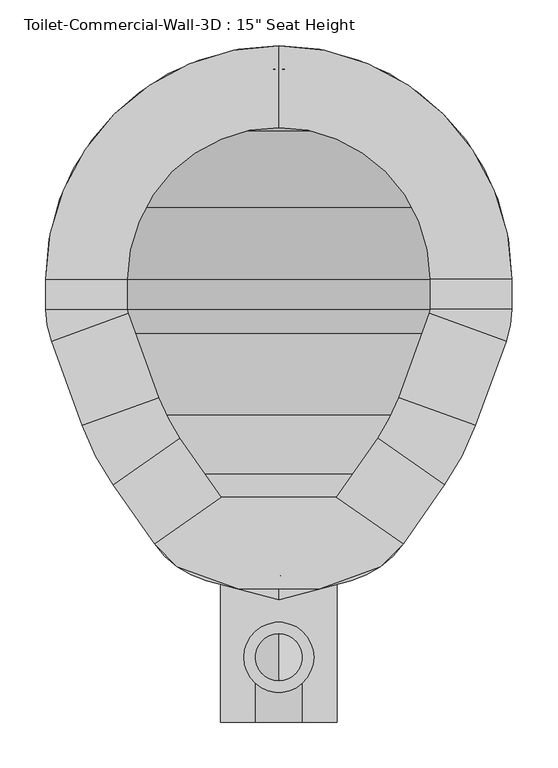
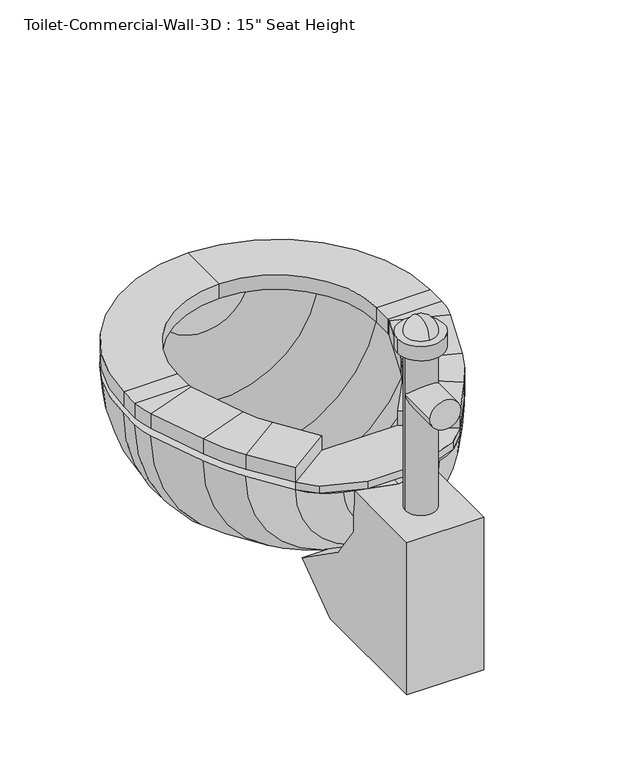
"""IFC4 building model written with IfcOpenShell, lengths in millimetres: flow terminal geometry."""

import ifcopenshell
import ifcopenshell.guid

model = None  # the IFC model being written
_history = None  # IfcOwnerHistory: only IFC2X3 demands one
_inside = {}  # id of a spatial element -> (the spatial element, [elements in it])
_under = {}  # id of a project, library or spatial element -> (it, [spatial elements below it])
_declared = {}  # id of a project -> (the project, [libraries it declares])
_typed = {}  # id of a type object -> (the type object, [elements of that type])
_made_of = {}  # id of a material, layer set ... -> (it, [elements and type objects made of it])


def new_model(schema):
    """Start an empty IFC model of exactly this schema.

    Asked for "IFC4X3", IfcOpenShell would pick the latest addendum, in which some entities
    have other attributes; the version numbers below select the first issue.
    IFC2X3 requires an IfcOwnerHistory on every rooted entity: one is made here for all.
    """
    global model, _history
    if schema == "IFC4X3":
        model = ifcopenshell.file(schema_version=(4, 3, 0, 0))
    else:
        model = ifcopenshell.file(schema=schema)
    _inside.clear()
    _under.clear()
    _declared.clear()
    _typed.clear()
    _made_of.clear()
    _history = None
    if model.schema == "IFC2X3":
        org = make("IfcOrganization", Name="unknown")
        user = make(
            "IfcPersonAndOrganization",
            ThePerson=make("IfcPerson", FamilyName="unknown"),
            TheOrganization=org,
        )
        app = make(
            "IfcApplication",
            ApplicationDeveloper=org,
            Version="unknown",
            ApplicationFullName="unknown",
            ApplicationIdentifier="unknown",
        )
        _history = make(
            "IfcOwnerHistory",
            OwningUser=user,
            OwningApplication=app,
            ChangeAction="ADDED",
            CreationDate=0,
        )
    return model


def make(cls, **values):
    """One entity of the class cls with the attributes given. An attribute that is None is left unset."""
    return model.create_entity(
        cls, **{name: value for name, value in values.items() if value is not None}
    )


def rooted(cls, **values):
    """An entity with a GlobalId (a new one), such as an element, a storey or a relation."""
    return make(cls, GlobalId=ifcopenshell.guid.new(), OwnerHistory=_history, **values)


def si_unit(unit_type, name, prefix=None):
    """IfcSIUnit, for example si_unit("LENGTHUNIT", "METRE", prefix="MILLI")."""
    return make("IfcSIUnit", UnitType=unit_type, Prefix=prefix, Name=name)


def assignment(units):
    """IfcUnitAssignment: the units of a project."""
    return None if units is None else make("IfcUnitAssignment", Units=units)


def point(xyz):
    """IfcCartesianPoint."""
    return None if xyz is None else make("IfcCartesianPoint", Coordinates=xyz)


def direction(xyz):
    """IfcDirection."""
    return None if xyz is None else make("IfcDirection", DirectionRatios=xyz)


def frame(location, z_axis=None, x_axis=None):
    """IfcAxis2Placement3D, a coordinate frame: its origin and axes. An axis left out is left unset."""
    return make(
        "IfcAxis2Placement3D",
        Location=point(location),
        Axis=direction(z_axis),
        RefDirection=direction(x_axis),
    )


def frame_2d(location, x_axis=None):
    """IfcAxis2Placement2D, a coordinate frame in the plane: its origin and x axis."""
    return make(
        "IfcAxis2Placement2D", Location=point(location), RefDirection=direction(x_axis)
    )


def origin():
    """The frame at (0, 0, 0) with its axes left unset."""
    return frame((0.0, 0.0, 0.0))


def place(relative_to, where):
    """IfcLocalPlacement: puts the frame where relative to a parent placement (None: the world)."""
    return make(
        "IfcLocalPlacement", PlacementRelTo=relative_to, RelativePlacement=where
    )


def context(
    kind, dimensions, precision=None, world=None, true_north=None, identifier=None
):
    """IfcGeometricRepresentationContext, for example the 3D "Model" context."""
    return make(
        "IfcGeometricRepresentationContext",
        ContextIdentifier=identifier,
        ContextType=kind,
        CoordinateSpaceDimension=dimensions,
        Precision=precision,
        WorldCoordinateSystem=world,
        TrueNorth=true_north,
    )


def project(units=None, contexts=None):
    """IfcProject with its units and contexts."""
    return rooted(
        "IfcProject",
        Name="project",
        RepresentationContexts=contexts,
        UnitsInContext=assignment(units),
    )


def spatial(cls, under=None, at=None, **own):
    """A site, building, storey or space (cls), placed at a placement, below another one or the project."""
    s = rooted(cls, ObjectPlacement=at, **own)
    if under is not None:
        _under.setdefault(under.id(), (under, []))[1].append(s)
    return s


def polyline(points):
    """IfcPolyline through the points."""
    return make("IfcPolyline", Points=[point(p) for p in points])


def circle_curve(where, radius):
    """IfcCircle in the frame where."""
    return make("IfcCircle", Position=where, Radius=radius)


def ellipse_curve(where, semi_axis1, semi_axis2):
    """IfcEllipse in the frame where."""
    return make(
        "IfcEllipse", Position=where, SemiAxis1=semi_axis1, SemiAxis2=semi_axis2
    )


def trimmed(basis, trim1, trim2, sense, master):
    """IfcTrimmedCurve: the piece of a basis curve between two trims."""
    return make(
        "IfcTrimmedCurve",
        BasisCurve=basis,
        Trim1=trim1,
        Trim2=trim2,
        SenseAgreement=sense,
        MasterRepresentation=master,
    )


def segment(curve, same_sense, transition):
    """IfcCompositeCurveSegment."""
    return make(
        "IfcCompositeCurveSegment",
        Transition=transition,
        SameSense=same_sense,
        ParentCurve=curve,
    )


def composite_curve(segments, self_intersect=None):
    """IfcCompositeCurve: segments joined end to end."""
    return make("IfcCompositeCurve", Segments=segments, SelfIntersect=self_intersect)


def outline(outer, holes=None, kind="AREA"):
    """IfcArbitraryClosedProfileDef: a profile drawn as a closed curve; with holes, ...WithVoids."""
    if holes is None:
        return make("IfcArbitraryClosedProfileDef", ProfileType=kind, OuterCurve=outer)
    return make(
        "IfcArbitraryProfileDefWithVoids",
        ProfileType=kind,
        OuterCurve=outer,
        InnerCurves=holes,
    )


def extrude(swept, where, along, depth):
    """IfcExtrudedAreaSolid: the profile swept, set in the frame where, extruded along a direction by depth."""
    return make(
        "IfcExtrudedAreaSolid",
        SweptArea=swept,
        Position=where,
        ExtrudedDirection=direction(along),
        Depth=depth,
    )


def shape(context_of_items, identifier, shape_type, items):
    """IfcShapeRepresentation: the items that make up one representation, for example the "Body"."""
    return make(
        "IfcShapeRepresentation",
        ContextOfItems=context_of_items,
        RepresentationIdentifier=identifier,
        RepresentationType=shape_type,
        Items=items,
    )


def source(mapping_origin, context_of_items, identifier, shape_type, items):
    """IfcRepresentationMap: a shape defined once, which mapped items show again and again."""
    return make(
        "IfcRepresentationMap",
        MappingOrigin=mapping_origin,
        MappedRepresentation=shape(context_of_items, identifier, shape_type, items),
    )


def transform(
    local_origin,
    x_axis=None,
    y_axis=None,
    z_axis=None,
    scale=None,
    scale2=None,
    scale3=None,
    uniform=True,
):
    """IfcCartesianTransformationOperator3D, or its non-uniform kind. x_axis, y_axis, z_axis: its Axis1, 2, 3."""
    if uniform:
        return make(
            "IfcCartesianTransformationOperator3D",
            Axis1=direction(x_axis),
            Axis2=direction(y_axis),
            LocalOrigin=point(local_origin),
            Scale=scale,
            Axis3=direction(z_axis),
        )
    return make(
        "IfcCartesianTransformationOperator3DnonUniform",
        Axis1=direction(x_axis),
        Axis2=direction(y_axis),
        LocalOrigin=point(local_origin),
        Scale=scale,
        Axis3=direction(z_axis),
        Scale2=scale2,
        Scale3=scale3,
    )


def mapped(mapping_source, mapping_target):
    """IfcMappedItem: shows the shape of a source again, moved by a transform."""
    return make(
        "IfcMappedItem", MappingSource=mapping_source, MappingTarget=mapping_target
    )


def made_of(thing, what):
    """Note that an element or type object is made of a material, layer set ...; save() writes the relation."""
    if what is not None:
        _made_of.setdefault(what.id(), (what, []))[1].append(thing)
    return thing


def element(
    cls,
    number,
    at=None,
    inside=None,
    cuts=None,
    type_object=None,
    material=None,
    context=None,
    identifier="Body",
    shape_type=None,
    held_by="IfcProductDefinitionShape",
    body=None,
    shapes=None,
    **own,
):
    """One element of the class cls, such as IfcWall. Its Tag is "e" and its number.

    at: its placement. inside: the storey or other place that contains it. cuts: it is an
    opening in that element (IfcRelVoidsElement). A single representation is given by context,
    identifier, shape_type and body (its items); several are given by shapes. held_by: the class
    of the entity that holds the representations. save() writes the other relations.
    """
    e = rooted(cls, Tag="e%d" % number, ObjectPlacement=at, **own)
    if body is not None:
        shapes = [shape(context, identifier, shape_type, body)]
    if shapes is not None:
        e.Representation = make(held_by, Representations=shapes)
    if inside is not None:
        _inside.setdefault(inside.id(), (inside, []))[1].append(e)
    if cuts is not None:
        rooted(
            "IfcRelVoidsElement", RelatingBuildingElement=cuts, RelatedOpeningElement=e
        )
    if type_object is not None:
        _typed.setdefault(type_object.id(), (type_object, []))[1].append(e)
    return made_of(e, material)


def aggregate(whole, parts):
    """IfcRelAggregates: a whole, such as a stair, and the parts it consists of."""
    return rooted("IfcRelAggregates", RelatingObject=whole, RelatedObjects=parts)


def save(model, path):
    """Write the relations noted so far, then the file.

    IfcRelAggregates (storeys below a building ...), IfcRelContainedInSpatialStructure (elements
    in a storey), IfcRelDefinesByType, IfcRelAssociatesMaterial and IfcRelDeclares: one each for
    every whole, place, type object, material and project.
    """
    for whole, parts in _under.values():
        aggregate(whole, parts)
    for where, things in _inside.values():
        rooted(
            "IfcRelContainedInSpatialStructure",
            RelatedElements=things,
            RelatingStructure=where,
        )
    for kind, things in _typed.values():
        rooted("IfcRelDefinesByType", RelatedObjects=things, RelatingType=kind)
    for what, things in _made_of.values():
        rooted("IfcRelAssociatesMaterial", RelatedObjects=things, RelatingMaterial=what)
    for by, libraries in _declared.values():
        rooted("IfcRelDeclares", RelatingContext=by, RelatedDefinitions=libraries)
    model.write(path)


def plane_surface(at):
    """IfcPlane: the flat surface through the origin of the frame at, square to its z axis."""
    return make("IfcPlane", Position=at)


def cylinder_surface(at, radius):
    """IfcCylindricalSurface: all points at the distance radius from the z axis of the frame at."""
    return make("IfcCylindricalSurface", Position=at, Radius=radius)


def revolved_surface(curve, axis_point, axis_direction):
    """IfcSurfaceOfRevolution: the curve turned about the line through axis_point along axis_direction."""
    return make(
        "IfcSurfaceOfRevolution",
        SweptCurve=make("IfcArbitraryOpenProfileDef", ProfileType="CURVE", Curve=curve),
        AxisPosition=make("IfcAxis1Placement", Location=point(axis_point), Axis=direction(axis_direction)),
    )


def advanced_brep(points, edges, surfaces, faces):
    """IfcAdvancedBrep: a solid bounded by faces that lie on surfaces and meet in shared edges.

    An edge is (start, end): straight between two places in points (the first is 0);
    or (start, end, curve); or (start, end, curve, False) where it runs against its curve.
    A face is (place in surfaces, loops), or (place, loops, False) where it looks against
    its surface's normal. A loop lists edges by number (the first is 1), with a minus sign
    where the edge is run from its end to its start. The first loop is the outer one.
    """
    corners = [point(p) for p in points]
    vertices = [make("IfcVertexPoint", VertexGeometry=c) for c in corners]
    made = []
    for start, end, *more in edges:
        made.append(
            make(
                "IfcEdgeCurve",
                EdgeStart=vertices[start],
                EdgeEnd=vertices[end],
                EdgeGeometry=more[0] if more else make("IfcPolyline", Points=[corners[start], corners[end]]),
                SameSense=more[1] if len(more) > 1 else True,
            )
        )
    hull = []
    for where, loops, *sense in faces:
        bounds = []
        for j, loop in enumerate(loops):
            ring = [make("IfcOrientedEdge", EdgeElement=made[abs(k) - 1], Orientation=k > 0) for k in loop]
            bounds.append(
                make(
                    "IfcFaceOuterBound" if j == 0 else "IfcFaceBound",
                    Bound=make("IfcEdgeLoop", EdgeList=ring),
                    Orientation=True,
                )
            )
        hull.append(make("IfcAdvancedFace", Bounds=bounds, FaceSurface=surfaces[where], SameSense=sense[0] if sense else True))
    return make("IfcAdvancedBrep", Outer=make("IfcClosedShell", CfsFaces=hull))


def flow_terminal_69433703(model_context):
    return source(origin(), model_context, "Body", "SolidModel", [
        extrude(outline(polyline([(467.7541169, 311.7097495), (540.5767337, 260.7188043), (515.6262519, 235.7683226), (449.563909, 211.7235961), (360.2423986, 211.7235961), (294.1800557, 235.7683226), (269.229574, 260.7188043), (342.0521907, 311.7097495), (467.7541169, 311.7097495)])), frame((0.0, 0.0, 342.9), z_axis=(0.0, 0.0, 1.0), x_axis=(1.0, 0.0, 0.0)), (0.0, 0.0, 1.0), 12.7),
        advanced_brep(
        [(467.7541169, 311.7097495, 355.6), (540.5767337, 260.7188043, 355.6), (540.5767337, 260.7188043, 381.0), (467.7541169, 311.7097495, 381.0), (512.8583992, 376.1253403, 355.6), (585.6810159, 325.1343951, 355.6), (585.6810159, 325.1343951, 381.0), (512.8583992, 376.1253403, 381.0), (619.360053, 389.8312234, 355.6), (535.821379, 420.2368141, 355.6), (619.360053, 389.8312234, 381.0), (535.821379, 420.2368141, 381.0), (569.2372501, 512.0461654, 355.6), (652.7759241, 481.6405747, 355.6), (652.7759241, 481.6405747, 381.0), (569.2372501, 512.0461654, 381.0), (658.9031538, 516.3898212, 355.6), (570.0031538, 516.3898212, 355.6), (658.9031538, 516.3898212, 381.0), (570.0031538, 516.3898212, 381.0), (570.0031538, 549.275, 355.6), (658.9031538, 549.275, 355.6), (658.9031538, 549.275, 381.0), (570.0031538, 549.275, 381.0), (404.9031538, 803.275, 355.6), (404.9031538, 714.375, 355.6), (404.9031538, 803.275, 381.0), (404.9031538, 714.375, 381.0), (150.9031538, 549.275, 355.6), (239.8031538, 549.275, 355.6), (150.9031538, 549.275, 381.0), (239.8031538, 549.275, 381.0), (239.8031538, 516.3898212, 355.6), (150.9031538, 516.3898212, 355.6), (150.9031538, 516.3898212, 381.0), (239.8031538, 516.3898212, 381.0), (157.0303835, 481.6405747, 355.6), (240.5690575, 512.0461654, 355.6), (157.0303835, 481.6405747, 381.0), (240.5690575, 512.0461654, 381.0), (273.9849286, 420.2368141, 355.6), (190.4462546, 389.8312234, 355.6), (190.4462546, 389.8312234, 381.0), (273.9849286, 420.2368141, 381.0), (224.1252917, 325.1343951, 355.6), (296.9479084, 376.1253403, 355.6), (224.1252917, 325.1343951, 381.0), (296.9479084, 376.1253403, 381.0), (342.0521907, 311.7097495, 355.6), (342.0521907, 311.7097495, 381.0), (269.229574, 260.7188043, 381.0), (269.229574, 260.7188043, 355.6)],
        [
            (0, 1),
            (1, 2),
            (2, 3),
            (3, 0),
            (0, 4),
            (4, 5),
            (5, 1),
            (5, 6),
            (6, 2),
            (6, 7),
            (7, 3),
            (7, 4),
            (8, 5, circle_curve(frame((356.8099347, 485.3916514, 355.6), z_axis=(0.0, 0.0, -1.0), x_axis=(0.81915204428899, -0.5735764363510486, 0.0)), 279.4)),
            (4, 9, circle_curve(frame((356.8099347, 485.3916514, 355.6), z_axis=(0.0, 0.0, 1.0), x_axis=(0.81915204428899, -0.5735764363510486, 0.0)), 190.5)),
            (9, 8),
            (10, 6, circle_curve(frame((356.8099347, 485.3916514, 381.0), z_axis=(0.0, 0.0, -1.0), x_axis=(0.81915204428899, -0.5735764363510486, 0.0)), 279.4)),
            (8, 10),
            (11, 7, circle_curve(frame((356.8099347, 485.3916514, 381.0), z_axis=(0.0, 0.0, -1.0), x_axis=(0.81915204428899, -0.5735764363510486, 0.0)), 190.5)),
            (10, 11),
            (11, 9),
            (9, 12),
            (12, 13),
            (13, 8),
            (13, 14),
            (14, 10),
            (14, 15),
            (15, 11),
            (15, 12),
            (16, 13, circle_curve(frame((557.3031538, 516.3898212, 355.6), z_axis=(0.0, 0.0, -1.0), x_axis=(0.9396926207859057, -0.3420201433256761, 0.0)), 101.6)),
            (12, 17, circle_curve(frame((557.3031538, 516.3898212, 355.6), z_axis=(0.0, 0.0, 1.0), x_axis=(0.9396926207859057, -0.3420201433256761, 0.0)), 12.7)),
            (17, 16),
            (18, 14, circle_curve(frame((557.3031538, 516.3898212, 381.0), z_axis=(0.0, 0.0, -1.0), x_axis=(0.9396926207859057, -0.3420201433256761, 0.0)), 101.6)),
            (16, 18),
            (19, 15, circle_curve(frame((557.3031538, 516.3898212, 381.0), z_axis=(0.0, 0.0, -1.0), x_axis=(0.9396926207859057, -0.3420201433256761, 0.0)), 12.7)),
            (18, 19),
            (19, 17),
            (17, 20),
            (20, 21),
            (21, 16),
            (21, 22),
            (22, 18),
            (22, 23),
            (23, 19),
            (23, 20),
            (24, 21, circle_curve(frame((404.9031538, 549.275, 355.6), z_axis=(0.0, 0.0, -1.0), x_axis=(1.0, 0.0, 0.0)), 254.0)),
            (20, 25, circle_curve(frame((404.9031538, 549.275, 355.6), z_axis=(0.0, 0.0, 1.0), x_axis=(1.0, 0.0, 0.0)), 165.1)),
            (25, 24),
            (26, 22, circle_curve(frame((404.9031538, 549.275, 381.0), z_axis=(0.0, 0.0, -1.0), x_axis=(1.0, 0.0, 0.0)), 254.0)),
            (24, 26),
            (27, 23, circle_curve(frame((404.9031538, 549.275, 381.0), z_axis=(0.0, 0.0, -1.0), x_axis=(1.0, 0.0, 0.0)), 165.1)),
            (26, 27),
            (27, 25),
            (28, 24, circle_curve(frame((404.9031538, 549.275, 355.6), z_axis=(0.0, 0.0, -1.0), x_axis=(0.0, 1.0, 0.0)), 254.0)),
            (25, 29, circle_curve(frame((404.9031538, 549.275, 355.6), z_axis=(0.0, 0.0, 1.0), x_axis=(0.0, 1.0, 0.0)), 165.1)),
            (29, 28),
            (30, 26, circle_curve(frame((404.9031538, 549.275, 381.0), z_axis=(0.0, 0.0, -1.0), x_axis=(0.0, 1.0, 0.0)), 254.0)),
            (28, 30),
            (31, 27, circle_curve(frame((404.9031538, 549.275, 381.0), z_axis=(0.0, 0.0, -1.0), x_axis=(0.0, 1.0, 0.0)), 165.1)),
            (30, 31),
            (31, 29),
            (29, 32),
            (32, 33),
            (33, 28),
            (33, 34),
            (34, 30),
            (34, 35),
            (35, 31),
            (35, 32),
            (36, 33, circle_curve(frame((252.5031538, 516.3898212, 355.6), z_axis=(0.0, 0.0, -1.0), x_axis=(-1.0, 0.0, 0.0)), 101.6)),
            (32, 37, circle_curve(frame((252.5031538, 516.3898212, 355.6), z_axis=(0.0, 0.0, 1.0), x_axis=(-1.0, 0.0, 0.0)), 12.7)),
            (37, 36),
            (38, 34, circle_curve(frame((252.5031538, 516.3898212, 381.0), z_axis=(0.0, 0.0, -1.0), x_axis=(-1.0, 0.0, 0.0)), 101.6)),
            (36, 38),
            (39, 35, circle_curve(frame((252.5031538, 516.3898212, 381.0), z_axis=(0.0, 0.0, -1.0), x_axis=(-1.0, 0.0, 0.0)), 12.7)),
            (38, 39),
            (39, 37),
            (37, 40),
            (40, 41),
            (41, 36),
            (41, 42),
            (42, 38),
            (42, 43),
            (43, 39),
            (43, 40),
            (44, 41, circle_curve(frame((452.9963729, 485.3916514, 355.6), z_axis=(0.0, 0.0, -1.0), x_axis=(-0.939692620785909, -0.3420201433256672, 0.0)), 279.4)),
            (40, 45, circle_curve(frame((452.9963729, 485.3916514, 355.6), z_axis=(0.0, 0.0, 1.0), x_axis=(-0.939692620785909, -0.3420201433256672, 0.0)), 190.5)),
            (45, 44),
            (46, 42, circle_curve(frame((452.9963729, 485.3916514, 381.0), z_axis=(0.0, 0.0, -1.0), x_axis=(-0.939692620785909, -0.3420201433256672, 0.0)), 279.4)),
            (44, 46),
            (47, 43, circle_curve(frame((452.9963729, 485.3916514, 381.0), z_axis=(0.0, 0.0, -1.0), x_axis=(-0.939692620785909, -0.3420201433256672, 0.0)), 190.5)),
            (46, 47),
            (47, 45),
            (48, 49),
            (49, 50),
            (50, 51),
            (51, 48),
            (45, 48),
            (51, 44),
            (50, 46),
            (49, 47),
        ],
        [
            plane_surface(frame((540.5767337, 260.7188043, 439.6203184), z_axis=(-0.5735764363510378, -0.8191520442889977, 0.0), x_axis=(0.8191520442889977, -0.5735764363510378, 0.0))),
            plane_surface(frame((467.7541169, 311.7097495, 355.6), z_axis=(0.0, 0.0, -1.0000000000000002), x_axis=(0.5735764363510382, 0.8191520442889975, 0.0))),
            plane_surface(frame((540.5767337, 260.7188043, 355.6), z_axis=(0.8191520442889976, -0.5735764363510379, 0.0), x_axis=(0.5735764363510379, 0.8191520442889976, 0.0))),
            plane_surface(frame((540.5767337, 260.7188043, 381.0), z_axis=(0.0, 0.0, 1.0), x_axis=(0.5735764363510377, 0.8191520442889977, 0.0))),
            plane_surface(frame((467.7541169, 311.7097495, 381.0), z_axis=(-0.819152044288997, 0.5735764363510387, 0.0), x_axis=(0.5735764363510387, 0.819152044288997, 0.0))),
            plane_surface(frame((356.8099347, 485.3916514, 355.6), z_axis=(0.0, 0.0, -1.0), x_axis=(0.81915204428899, -0.5735764363510486, 0.0))),
            cylinder_surface(frame((356.8099347, 485.3916514, 342.9), z_axis=(0.0, 0.0, 1.0), x_axis=(0.81915204428899, -0.5735764363510486, 0.0)), 279.4),
            plane_surface(frame((356.8099347, 485.3916514, 381.0), z_axis=(0.0, 0.0, 1.0), x_axis=(0.81915204428899, -0.5735764363510486, 0.0))),
            revolved_surface(polyline([(512.8583991370526, 376.12534027512527, 381.0), (512.8583991370526, 376.12534027512527, 355.6)]), (356.8099347, 485.3916514, 342.9), (0.0, 0.0, 1.0)),
            plane_surface(frame((535.821379, 420.2368141, 355.6), z_axis=(0.0, 0.0, -1.0), x_axis=(0.3420201433256634, 0.9396926207859103, 0.0))),
            plane_surface(frame((619.360053, 389.8312234, 355.6), z_axis=(0.9396926207859099, -0.34202014332566494, 0.0), x_axis=(0.34202014332566494, 0.9396926207859099, 0.0))),
            plane_surface(frame((619.360053, 389.8312234, 381.0), z_axis=(0.0, 0.0, 1.0), x_axis=(0.3420201433256647, 0.9396926207859099, 0.0))),
            plane_surface(frame((535.821379, 420.2368141, 381.0), z_axis=(-0.9396926207859101, 0.342020143325664, 0.0), x_axis=(0.342020143325664, 0.9396926207859101, 0.0))),
            plane_surface(frame((557.3031538, 516.3898212, 355.6), z_axis=(0.0, 0.0, -1.0000000000000002), x_axis=(0.9396926207859058, -0.34202014332567615, 0.0))),
            cylinder_surface(frame((557.3031538, 516.3898212, 342.9), z_axis=(0.0, 0.0, 1.0), x_axis=(0.9396926207859057, -0.3420201433256761, 0.0)), 101.6),
            plane_surface(frame((557.3031538, 516.3898212, 381.0), z_axis=(0.0, 0.0, 1.0000000000000002), x_axis=(0.9396926207859058, -0.34202014332567615, 0.0))),
            revolved_surface(polyline([(569.237250083981, 512.0461653797639, 381.0), (569.237250083981, 512.0461653797639, 355.6)]), (557.3031538, 516.3898212, 342.9), (0.0, 0.0, 1.0)),
            plane_surface(frame((570.0031538, 516.3898212, 355.6), z_axis=(0.0, 0.0, -1.0), x_axis=(0.0, 1.0, 0.0))),
            plane_surface(frame((658.9031538, 516.3898212, 355.6), z_axis=(1.0, 0.0, 0.0), x_axis=(0.0, 1.0, 0.0))),
            plane_surface(frame((658.9031538, 516.3898212, 381.0), z_axis=(0.0, 0.0, 1.0), x_axis=(0.0, 1.0, 0.0))),
            plane_surface(frame((570.0031538, 516.3898212, 381.0), z_axis=(-1.0, 0.0, 0.0), x_axis=(0.0, 1.0, 0.0))),
            plane_surface(frame((404.9031538, 549.275, 355.6), z_axis=(0.0, 0.0, -1.0), x_axis=(1.0, 0.0, 0.0))),
            cylinder_surface(frame((404.9031538, 549.275, 342.9), z_axis=(0.0, 0.0, 1.0), x_axis=(1.0, 0.0, 0.0)), 254.0),
            plane_surface(frame((404.9031538, 549.275, 381.0), z_axis=(0.0, 0.0, 1.0), x_axis=(1.0, 0.0, 0.0))),
            revolved_surface(polyline([(570.0031538, 549.275, 381.0), (570.0031538, 549.275, 355.6)]), (404.9031538, 549.275, 342.9), (0.0, 0.0, 1.0)),
            plane_surface(frame((404.9031538, 549.275, 355.6), z_axis=(0.0, 0.0, -1.0), x_axis=(0.0, 1.0, 0.0))),
            cylinder_surface(frame((404.9031538, 549.275, 342.9), z_axis=(0.0, 0.0, 1.0), x_axis=(0.0, 1.0, 0.0)), 254.0),
            plane_surface(frame((404.9031538, 549.275, 381.0), z_axis=(0.0, 0.0, 1.0), x_axis=(0.0, 1.0, 0.0))),
            revolved_surface(polyline([(404.9031538, 714.375, 381.0), (404.9031538, 714.375, 355.6)]), (404.9031538, 549.275, 342.9), (0.0, 0.0, 1.0)),
            plane_surface(frame((239.8031538, 549.275, 355.6), z_axis=(0.0, 0.0, -1.0), x_axis=(0.0, -1.0, 0.0))),
            plane_surface(frame((150.9031538, 549.275, 355.6), z_axis=(-1.0, 0.0, 0.0), x_axis=(0.0, -1.0, 0.0))),
            plane_surface(frame((150.9031538, 549.275, 381.0), z_axis=(0.0, 0.0, 1.0), x_axis=(0.0, -1.0, 0.0))),
            plane_surface(frame((239.8031538, 549.275, 381.0), z_axis=(1.0, 0.0, 0.0), x_axis=(0.0, -1.0, 0.0))),
            plane_surface(frame((252.5031538, 516.3898212, 355.6), z_axis=(0.0, 0.0, -1.0), x_axis=(-1.0, 0.0, 0.0))),
            cylinder_surface(frame((252.5031538, 516.3898212, 342.9), z_axis=(0.0, 0.0, 1.0), x_axis=(-1.0, 0.0, 0.0)), 101.6),
            plane_surface(frame((252.5031538, 516.3898212, 381.0), z_axis=(0.0, 0.0, 1.0), x_axis=(-1.0, 0.0, 0.0))),
            revolved_surface(polyline([(239.80315380000002, 516.3898212, 381.0), (239.80315380000002, 516.3898212, 355.6)]), (252.5031538, 516.3898212, 342.9), (0.0, 0.0, 1.0)),
            plane_surface(frame((240.5690575, 512.0461654, 355.6), z_axis=(0.0, 0.0, -1.0000000000000002), x_axis=(0.34202014332565606, -0.9396926207859131, 0.0))),
            plane_surface(frame((157.0303835, 481.6405747, 355.6), z_axis=(-0.9396926207859131, -0.34202014332565595, 0.0), x_axis=(0.34202014332565595, -0.9396926207859131, 0.0))),
            plane_surface(frame((157.0303835, 481.6405747, 381.0), z_axis=(0.0, 0.0, 1.0000000000000002), x_axis=(0.3420201433256557, -0.9396926207859132, 0.0))),
            plane_surface(frame((240.5690575, 512.0461654, 381.0), z_axis=(0.9396926207859131, 0.34202014332565606, 0.0), x_axis=(0.34202014332565606, -0.9396926207859131, 0.0))),
            plane_surface(frame((452.9963729, 485.3916514, 355.6), z_axis=(0.0, 0.0, -1.0), x_axis=(-0.939692620785909, -0.3420201433256672, 0.0))),
            cylinder_surface(frame((452.9963729, 485.3916514, 342.9), z_axis=(0.0, 0.0, 1.0), x_axis=(-0.939692620785909, -0.3420201433256672, 0.0)), 279.4),
            plane_surface(frame((452.9963729, 485.3916514, 381.0), z_axis=(0.0, 0.0, 1.0), x_axis=(-0.939692620785909, -0.3420201433256672, 0.0))),
            revolved_surface(polyline([(273.98492864028435, 420.2368140964604, 381.0), (273.98492864028435, 420.2368140964604, 355.6)]), (452.9963729, 485.3916514, 342.9), (0.0, 0.0, 1.0)),
            plane_surface(frame((269.229574, 260.7188043, 246.1796816), z_axis=(0.5735764363510499, -0.8191520442889892, 0.0), x_axis=(0.8191520442889892, 0.5735764363510499, 0.0))),
            plane_surface(frame((296.9479084, 376.1253403, 355.6), z_axis=(0.0, 0.0, -1.0), x_axis=(0.5735764363510502, -0.8191520442889889, 0.0))),
            plane_surface(frame((224.1252917, 325.1343951, 355.6), z_axis=(-0.8191520442889892, -0.5735764363510499, 0.0), x_axis=(0.5735764363510499, -0.8191520442889892, 0.0))),
            plane_surface(frame((224.1252917, 325.1343951, 381.0), z_axis=(0.0, 0.0, 1.0), x_axis=(0.5735764363510504, -0.8191520442889888, 0.0))),
            plane_surface(frame((296.9479084, 376.1253403, 381.0), z_axis=(0.8191520442889889, 0.5735764363510502, 0.0), x_axis=(0.5735764363510502, -0.8191520442889889, 0.0))),
        ],
        [
            (0, [[1, 2, 3, 4]]),
            (1, [[-1, 5, 6, 7]]),
            (2, [[-2, -7, 8, 9]]),
            (3, [[-3, -9, 10, 11]]),
            (4, [[-4, -11, 12, -5]]),
            (5, [[13, -6, 14, 15]]),
            (6, [[16, -8, -13, 17]]),
            (7, [[18, -10, -16, 19]]),
            (8, [[-14, -12, -18, 20]]),
            (9, [[-15, 21, 22, 23]]),
            (10, [[-17, -23, 24, 25]]),
            (11, [[-19, -25, 26, 27]]),
            (12, [[-20, -27, 28, -21]]),
            (13, [[29, -22, 30, 31]]),
            (14, [[32, -24, -29, 33]]),
            (15, [[34, -26, -32, 35]]),
            (16, [[-30, -28, -34, 36]]),
            (17, [[-31, 37, 38, 39]]),
            (18, [[-33, -39, 40, 41]]),
            (19, [[-35, -41, 42, 43]]),
            (20, [[-36, -43, 44, -37]]),
            (21, [[45, -38, 46, 47]]),
            (22, [[48, -40, -45, 49]]),
            (23, [[50, -42, -48, 51]]),
            (24, [[-46, -44, -50, 52]]),
            (25, [[53, -47, 54, 55]]),
            (26, [[56, -49, -53, 57]]),
            (27, [[58, -51, -56, 59]]),
            (28, [[-54, -52, -58, 60]]),
            (29, [[-55, 61, 62, 63]]),
            (30, [[-57, -63, 64, 65]]),
            (31, [[-59, -65, 66, 67]]),
            (32, [[-60, -67, 68, -61]]),
            (33, [[69, -62, 70, 71]]),
            (34, [[72, -64, -69, 73]]),
            (35, [[74, -66, -72, 75]]),
            (36, [[-70, -68, -74, 76]]),
            (37, [[-71, 77, 78, 79]]),
            (38, [[-73, -79, 80, 81]]),
            (39, [[-75, -81, 82, 83]]),
            (40, [[-76, -83, 84, -77]]),
            (41, [[85, -78, 86, 87]]),
            (42, [[88, -80, -85, 89]]),
            (43, [[90, -82, -88, 91]]),
            (44, [[-86, -84, -90, 92]]),
            (45, [[93, 94, 95, 96]]),
            (46, [[-87, 97, -96, 98]]),
            (47, [[-89, -98, -95, 99]]),
            (48, [[-91, -99, -94, 100]]),
            (49, [[-92, -100, -93, -97]]),
        ],
    ),
        advanced_brep(
        [(491.7762702, 787.9569257, 342.9), (404.9031538, 803.275, 342.9), (404.9031538, 777.875, 342.9), (483.0889586, 764.0887331, 342.9), (566.547764, 710.9196102, 342.9), (619.7168869, 627.4608048, 342.9), (633.5031538, 549.275, 342.9), (633.5031538, 516.3898212, 342.9), (628.9077315, 490.3278863, 342.9), (596.6355667, 401.6608422, 342.9), (562.9565296, 336.9640139, 342.9), (525.0728964, 282.8605786, 342.9), (468.1430637, 242.9978806, 342.9), (404.9031538, 226.0527978, 342.9), (404.9031538, 199.7567829, 342.9), (483.6469009, 220.8561063, 342.9), (540.5767337, 260.7188043, 342.9), (585.6810159, 325.1343951, 342.9), (619.360053, 389.8312234, 342.9), (652.7759241, 481.6405747, 342.9), (658.9031538, 516.3898212, 342.9), (658.9031538, 549.275, 342.9), (643.5850795, 636.1481164, 342.9), (584.5082762, 728.8801224, 342.9), (318.0300374, 787.9569257, 342.9), (225.2980314, 728.8801224, 342.9), (166.2212281, 636.1481164, 342.9), (150.9031538, 549.275, 342.9), (150.9031538, 516.3898212, 342.9), (157.0303835, 481.6405747, 342.9), (190.4462546, 389.8312234, 342.9), (224.1252917, 325.1343951, 342.9), (269.229574, 260.7188043, 342.9), (326.1594067, 220.8561063, 342.9), (341.663244, 242.9978806, 342.9), (284.7334112, 282.8605786, 342.9), (246.849778, 336.9640139, 342.9), (213.1707409, 401.6608422, 342.9), (180.8985761, 490.3278863, 342.9), (176.3031538, 516.3898212, 342.9), (176.3031538, 549.275, 342.9), (190.0894207, 627.4608048, 342.9), (243.2585436, 710.9196102, 342.9), (326.7173491, 764.0887331, 342.9)],
        [
            (0, 1, circle_curve(frame((404.9031538, 549.275, 342.9), z_axis=(0.0, 0.0, 1.0), x_axis=(1.0, 0.0, 0.0)), 254.0)),
            (1, 2),
            (2, 3, circle_curve(frame((404.9031538, 549.275, 342.9), z_axis=(0.0, 0.0, -1.0), x_axis=(1.0, 0.0, 0.0)), 228.6)),
            (3, 4, circle_curve(frame((404.9031538, 549.275, 342.9), z_axis=(0.0, 0.0, -1.0), x_axis=(1.0, 0.0, 0.0)), 228.6)),
            (4, 5, circle_curve(frame((404.9031538, 549.275, 342.9), z_axis=(0.0, 0.0, -1.0), x_axis=(1.0, 0.0, 0.0)), 228.6)),
            (5, 6, circle_curve(frame((404.9031538, 549.275, 342.9), z_axis=(0.0, 0.0, -1.0), x_axis=(1.0, 0.0, 0.0)), 228.6)),
            (6, 7),
            (7, 8, circle_curve(frame((557.3031538, 516.3898212, 342.9), z_axis=(0.0, 0.0, -1.0), x_axis=(1.0, 0.0, 0.0)), 76.2)),
            (8, 9),
            (9, 10, circle_curve(frame((334.0854485, 497.2212703, 342.9), z_axis=(0.0, 0.0, -1.0), x_axis=(1.0, 0.0, 0.0)), 279.4)),
            (10, 11),
            (11, 12, circle_curve(frame((441.8470487, 341.1359446, 342.9), z_axis=(0.0, 0.0, -1.0), x_axis=(1.0, 0.0, 0.0)), 101.6)),
            (12, 13),
            (13, 14),
            (14, 15),
            (15, 16, circle_curve(frame((457.350886, 318.9941703, 342.9), z_axis=(0.0, 0.0, 1.0), x_axis=(1.0, 0.0, 0.0)), 101.6)),
            (16, 17),
            (17, 18, circle_curve(frame((356.8099347, 485.3916514, 342.9), z_axis=(0.0, 0.0, 1.0), x_axis=(1.0, 0.0, 0.0)), 279.4)),
            (18, 19),
            (19, 20, circle_curve(frame((557.3031538, 516.3898212, 342.9), z_axis=(0.0, 0.0, 1.0), x_axis=(1.0, 0.0, 0.0)), 101.6)),
            (20, 21),
            (21, 22, circle_curve(frame((404.9031538, 549.275, 342.9), z_axis=(0.0, 0.0, 1.0), x_axis=(1.0, 0.0, 0.0)), 254.0)),
            (22, 23, circle_curve(frame((404.9031538, 549.275, 342.9), z_axis=(0.0, 0.0, 1.0), x_axis=(1.0, 0.0, 0.0)), 254.0)),
            (23, 0, circle_curve(frame((404.9031538, 549.275, 342.9), z_axis=(0.0, 0.0, 1.0), x_axis=(1.0, 0.0, 0.0)), 254.0)),
            (24, 25, circle_curve(frame((404.9031538, 549.275, 342.9), z_axis=(0.0, 0.0, 1.0), x_axis=(-1.0, 0.0, 0.0)), 254.0)),
            (25, 26, circle_curve(frame((404.9031538, 549.275, 342.9), z_axis=(0.0, 0.0, 1.0), x_axis=(-1.0, 0.0, 0.0)), 254.0)),
            (26, 27, circle_curve(frame((404.9031538, 549.275, 342.9), z_axis=(0.0, 0.0, 1.0), x_axis=(-1.0, 0.0, 0.0)), 254.0)),
            (27, 28),
            (28, 29, circle_curve(frame((252.5031538, 516.3898212, 342.9), z_axis=(0.0, 0.0, 1.0), x_axis=(-1.0, 0.0, 0.0)), 101.6)),
            (29, 30),
            (30, 31, circle_curve(frame((452.9963729, 485.3916514, 342.9), z_axis=(0.0, 0.0, 1.0), x_axis=(-1.0, 0.0, 0.0)), 279.4)),
            (31, 32),
            (32, 33, circle_curve(frame((352.4554217, 318.9941703, 342.9), z_axis=(0.0, 0.0, 1.0), x_axis=(-1.0, 0.0, 0.0)), 101.6)),
            (33, 14),
            (13, 34),
            (34, 35, circle_curve(frame((367.9592589, 341.1359446, 342.9), z_axis=(0.0, 0.0, -1.0), x_axis=(-1.0, 0.0, 0.0)), 101.6)),
            (35, 36),
            (36, 37, circle_curve(frame((475.7208592, 497.2212703, 342.9), z_axis=(0.0, 0.0, -1.0), x_axis=(-1.0, 0.0, 0.0)), 279.4)),
            (37, 38),
            (38, 39, circle_curve(frame((252.5031538, 516.3898212, 342.9), z_axis=(0.0, 0.0, -1.0), x_axis=(-1.0, 0.0, 0.0)), 76.2)),
            (39, 40),
            (40, 41, circle_curve(frame((404.9031538, 549.275, 342.9), z_axis=(0.0, 0.0, -1.0), x_axis=(-1.0, 0.0, 0.0)), 228.6)),
            (41, 42, circle_curve(frame((404.9031538, 549.275, 342.9), z_axis=(0.0, 0.0, -1.0), x_axis=(-1.0, 0.0, 0.0)), 228.6)),
            (42, 43, circle_curve(frame((404.9031538, 549.275, 342.9), z_axis=(0.0, 0.0, -1.0), x_axis=(-1.0, 0.0, 0.0)), 228.6)),
            (43, 2, circle_curve(frame((404.9031538, 549.275, 342.9), z_axis=(0.0, 0.0, -1.0), x_axis=(-1.0, 0.0, 0.0)), 228.6)),
            (1, 24, circle_curve(frame((404.9031538, 549.275, 342.9), z_axis=(0.0, 0.0, 1.0), x_axis=(-1.0, 0.0, 0.0)), 254.0)),
            (0, 24, circle_curve(frame((404.9031538, 787.9569257, 342.9), z_axis=(0.0, 1.0, 0.0), x_axis=(1.0, 0.0, 0.0)), 86.8731164)),
            (43, 3, circle_curve(frame((404.9031538, 764.0887331, 342.9), z_axis=(0.0, -1.0, 0.0), x_axis=(1.0, 0.0, 0.0)), 78.1858048)),
            (42, 4, circle_curve(frame((404.9031538, 710.9196102, 342.9), z_axis=(0.0, -1.0, 0.0), x_axis=(1.0, 0.0, 0.0)), 161.6446102)),
            (41, 5, circle_curve(frame((404.9031538, 627.4608048, 342.9), z_axis=(0.0, -1.0, 0.0), x_axis=(1.0, 0.0, 0.0)), 214.8137331)),
            (40, 6, circle_curve(frame((404.9031538, 549.275, 342.9), z_axis=(0.0, -1.0, 0.0), x_axis=(1.0, 0.0, 0.0)), 228.6)),
            (39, 7, circle_curve(frame((404.9031538, 516.3898212, 342.9), z_axis=(0.0, -1.0, 0.0), x_axis=(1.0, 0.0, 0.0)), 228.6)),
            (38, 8, circle_curve(frame((404.9031538, 490.3278863, 342.9), z_axis=(0.0, -1.0, 0.0), x_axis=(1.0, 0.0, 0.0)), 224.0045777)),
            (37, 9, circle_curve(frame((404.9031538, 401.6608422, 342.9), z_axis=(0.0, -1.0, 0.0), x_axis=(1.0, 0.0, 0.0)), 191.7324129)),
            (36, 10, circle_curve(frame((404.9031538, 336.9640139, 342.9), z_axis=(0.0, -1.0, 0.0), x_axis=(1.0, 0.0, 0.0)), 158.0533758)),
            (35, 11, circle_curve(frame((404.9031538, 282.8605786, 342.9), z_axis=(0.0, -1.0, 0.0), x_axis=(1.0, 0.0, 0.0)), 120.1697426)),
            (34, 12, circle_curve(frame((404.9031538, 242.9978806, 342.9), z_axis=(0.0, -1.0, 0.0), x_axis=(1.0, 0.0, 0.0)), 63.2399099)),
            (33, 15, circle_curve(frame((404.9031538, 220.8561063, 342.9), z_axis=(0.0, -1.0, 0.0), x_axis=(1.0, 0.0, 0.0)), 78.7437471)),
            (32, 16, circle_curve(frame((404.9031538, 260.7188043, 342.9), z_axis=(0.0, -1.0, 0.0), x_axis=(1.0, 0.0, 0.0)), 135.6735798)),
            (31, 17, circle_curve(frame((404.9031538, 325.1343951, 342.9), z_axis=(0.0, -1.0, 0.0), x_axis=(1.0, 0.0, 0.0)), 180.7778621)),
            (30, 18, circle_curve(frame((404.9031538, 389.8312234, 342.9), z_axis=(0.0, -1.0, 0.0), x_axis=(1.0, 0.0, 0.0)), 214.4568992)),
            (29, 19, circle_curve(frame((404.9031538, 481.6405747, 342.9), z_axis=(0.0, -1.0, 0.0), x_axis=(1.0, 0.0, 0.0)), 247.8727703)),
            (28, 20, circle_curve(frame((404.9031538, 516.3898212, 342.9), z_axis=(0.0, -1.0, 0.0), x_axis=(1.0, 0.0, 0.0)), 254.0)),
            (27, 21, circle_curve(frame((404.9031538, 549.275, 342.9), z_axis=(0.0, -1.0, 0.0), x_axis=(1.0, 0.0, 0.0)), 254.0)),
            (26, 22, circle_curve(frame((404.9031538, 636.1481164, 342.9), z_axis=(0.0, -1.0, 0.0), x_axis=(1.0, 0.0, 0.0)), 238.6819257)),
            (25, 23, circle_curve(frame((404.9031538, 728.8801224, 342.9), z_axis=(0.0, -1.0, 0.0), x_axis=(1.0, 0.0, 0.0)), 179.6051224)),
        ],
        [
            plane_surface(frame((404.9031538, 908.4852448, 342.9), z_axis=(0.0, 0.0, 1.0), x_axis=(1.0, 0.0, 0.0))),
            plane_surface(frame((404.9031538, 908.4852448, 342.9), z_axis=(0.0, 0.0, 1.0), x_axis=(-1.0, 0.0, 0.0))),
            revolved_surface(trimmed(ellipse_curve(frame((404.9031538, 549.275, 342.9), z_axis=(0.0, 0.0, 1.0), x_axis=(1.0, 0.0, 0.0)), 254.0, 254.0), [point((491.7762702, 787.9569257, 342.9))], [point((404.9031538, 803.275, 342.9))], True, "CARTESIAN"), (404.9031538, 908.4852448, 342.9), (0.0, 1.0, 0.0)),
            revolved_surface(trimmed(ellipse_curve(frame((404.9031538, 549.275, 342.9), z_axis=(0.0, 0.0, -1.0), x_axis=(1.0, 0.0, 0.0)), 228.6, 228.6), [point((404.9031538, 777.875, 342.9))], [point((483.0889586, 764.0887331, 342.9))], True, "CARTESIAN"), (404.9031538, 908.4852448, 342.9), (0.0, 1.0, 0.0)),
            revolved_surface(trimmed(ellipse_curve(frame((404.9031538, 549.275, 342.9), z_axis=(0.0, 0.0, -1.0), x_axis=(1.0, 0.0, 0.0)), 228.6, 228.6), [point((483.0889586, 764.0887331, 342.9))], [point((566.547764, 710.9196102, 342.9))], True, "CARTESIAN"), (404.9031538, 908.4852448, 342.9), (0.0, 1.0, 0.0)),
            revolved_surface(trimmed(ellipse_curve(frame((404.9031538, 549.275, 342.9), z_axis=(0.0, 0.0, -1.0), x_axis=(1.0, 0.0, 0.0)), 228.6, 228.6), [point((566.547764, 710.9196102, 342.9))], [point((619.7168869, 627.4608048, 342.9))], True, "CARTESIAN"), (404.9031538, 908.4852448, 342.9), (0.0, 1.0, 0.0)),
            revolved_surface(trimmed(ellipse_curve(frame((404.9031538, 549.275, 342.9), z_axis=(0.0, 0.0, -1.0), x_axis=(1.0, 0.0, 0.0)), 228.6, 228.6), [point((619.7168869, 627.4608048, 342.9))], [point((633.5031538, 549.275, 342.9))], True, "CARTESIAN"), (404.9031538, 908.4852448, 342.9), (0.0, 1.0, 0.0)),
            revolved_surface(polyline([(633.5031538, 549.275, 342.9), (633.5031538, 516.3898212, 342.9)]), (404.9031538, 908.4852448, 342.9), (0.0, 1.0, 0.0)),
            revolved_surface(trimmed(ellipse_curve(frame((557.3031538, 516.3898212, 342.9), z_axis=(0.0, 0.0, -1.0), x_axis=(1.0, 0.0, 0.0)), 76.2, 76.2), [point((633.5031538, 516.3898212, 342.9))], [point((628.9077315, 490.3278863, 342.9))], True, "CARTESIAN"), (404.9031538, 908.4852448, 342.9), (0.0, 1.0, 0.0)),
            revolved_surface(polyline([(628.9077315, 490.3278863, 342.9), (596.6355667, 401.6608422, 342.9)]), (404.9031538, 908.4852448, 342.9), (0.0, 1.0, 0.0)),
            revolved_surface(trimmed(ellipse_curve(frame((334.0854485, 497.2212703, 342.9), z_axis=(0.0, 0.0, -1.0), x_axis=(1.0, 0.0, 0.0)), 279.4, 279.4), [point((596.6355667, 401.6608422, 342.9))], [point((562.9565296, 336.9640139, 342.9))], True, "CARTESIAN"), (404.9031538, 908.4852448, 342.9), (0.0, 1.0, 0.0)),
            revolved_surface(polyline([(562.9565296, 336.9640139, 342.9), (525.0728964, 282.8605786, 342.9)]), (404.9031538, 908.4852448, 342.9), (0.0, 1.0, 0.0)),
            revolved_surface(trimmed(ellipse_curve(frame((441.8470487, 341.1359446, 342.9), z_axis=(0.0, 0.0, -1.0), x_axis=(1.0, 0.0, 0.0)), 101.6, 101.6), [point((525.0728964, 282.8605786, 342.9))], [point((468.1430637, 242.9978806, 342.9))], True, "CARTESIAN"), (404.9031538, 908.4852448, 342.9), (0.0, 1.0, 0.0)),
            revolved_surface(polyline([(468.1430637, 242.9978806, 342.9), (404.9031538, 226.0527978, 342.9)]), (404.9031538, 908.4852448, 342.9), (0.0, 1.0, 0.0)),
            revolved_surface(polyline([(404.9031538, 199.7567829, 342.9), (483.6469009, 220.8561063, 342.9)]), (404.9031538, 908.4852448, 342.9), (0.0, 1.0, 0.0)),
            revolved_surface(trimmed(ellipse_curve(frame((457.350886, 318.9941703, 342.9), z_axis=(0.0, 0.0, 1.0), x_axis=(1.0, 0.0, 0.0)), 101.6, 101.6), [point((483.6469009, 220.8561063, 342.9))], [point((540.5767337, 260.7188043, 342.9))], True, "CARTESIAN"), (404.9031538, 908.4852448, 342.9), (0.0, 1.0, 0.0)),
            revolved_surface(polyline([(540.5767337, 260.7188043, 342.9), (585.6810159, 325.1343951, 342.9)]), (404.9031538, 908.4852448, 342.9), (0.0, 1.0, 0.0)),
            revolved_surface(trimmed(ellipse_curve(frame((356.8099347, 485.3916514, 342.9), z_axis=(0.0, 0.0, 1.0), x_axis=(1.0, 0.0, 0.0)), 279.4, 279.4), [point((585.6810159, 325.1343951, 342.9))], [point((619.360053, 389.8312234, 342.9))], True, "CARTESIAN"), (404.9031538, 908.4852448, 342.9), (0.0, 1.0, 0.0)),
            revolved_surface(polyline([(619.360053, 389.8312234, 342.9), (652.7759241, 481.6405747, 342.9)]), (404.9031538, 908.4852448, 342.9), (0.0, 1.0, 0.0)),
            revolved_surface(trimmed(ellipse_curve(frame((557.3031538, 516.3898212, 342.9), z_axis=(0.0, 0.0, 1.0), x_axis=(1.0, 0.0, 0.0)), 101.6, 101.6), [point((652.7759241, 481.6405747, 342.9))], [point((658.9031538, 516.3898212, 342.9))], True, "CARTESIAN"), (404.9031538, 908.4852448, 342.9), (0.0, 1.0, 0.0)),
            cylinder_surface(frame((404.9031538, 908.4852448, 342.9), z_axis=(0.0, 1.0, 0.0), x_axis=(1.0, 0.0, 0.0)), 254.0),
            revolved_surface(trimmed(ellipse_curve(frame((404.9031538, 549.275, 342.9), z_axis=(0.0, 0.0, 1.0), x_axis=(1.0, 0.0, 0.0)), 254.0, 254.0), [point((658.9031538, 549.275, 342.9))], [point((643.5850795, 636.1481164, 342.9))], True, "CARTESIAN"), (404.9031538, 908.4852448, 342.9), (0.0, 1.0, 0.0)),
            revolved_surface(trimmed(ellipse_curve(frame((404.9031538, 549.275, 342.9), z_axis=(0.0, 0.0, 1.0), x_axis=(1.0, 0.0, 0.0)), 254.0, 254.0), [point((643.5850795, 636.1481164, 342.9))], [point((584.5082762, 728.8801224, 342.9))], True, "CARTESIAN"), (404.9031538, 908.4852448, 342.9), (0.0, 1.0, 0.0)),
            revolved_surface(trimmed(ellipse_curve(frame((404.9031538, 549.275, 342.9), z_axis=(0.0, 0.0, 1.0), x_axis=(1.0, 0.0, 0.0)), 254.0, 254.0), [point((584.5082762, 728.8801224, 342.9))], [point((491.7762702, 787.9569257, 342.9))], True, "CARTESIAN"), (404.9031538, 908.4852448, 342.9), (0.0, 1.0, 0.0)),
        ],
        [
            (0, [[1, 2, 3, 4, 5, 6, 7, 8, 9, 10, 11, 12, 13, 14, 15, 16, 17, 18, 19, 20, 21, 22, 23, 24]]),
            (1, [[25, 26, 27, 28, 29, 30, 31, 32, 33, 34, -14, 35, 36, 37, 38, 39, 40, 41, 42, 43, 44, 45, -2, 46]]),
            (2, [[-1, 47, -46]]),
            (3, [[48, -3, -45]]),
            (4, [[49, -4, -48, -44]]),
            (5, [[50, -5, -49, -43]]),
            (6, [[51, -6, -50, -42]]),
            (7, [[52, -7, -51, -41]]),
            (8, [[53, -8, -52, -40]]),
            (9, [[54, -9, -53, -39]]),
            (10, [[55, -10, -54, -38]]),
            (11, [[56, -11, -55, -37]]),
            (12, [[57, -12, -56, -36]]),
            (13, [[-13, -57, -35]]),
            (14, [[58, -15, -34]]),
            (15, [[59, -16, -58, -33]]),
            (16, [[60, -17, -59, -32]]),
            (17, [[61, -18, -60, -31]]),
            (18, [[62, -19, -61, -30]]),
            (19, [[63, -20, -62, -29]]),
            (20, [[64, -21, -63, -28]]),
            (21, [[65, -22, -64, -27]]),
            (22, [[66, -23, -65, -26]]),
            (23, [[-47, -24, -66, -25]]),
        ],
    ),
        advanced_brep(
        [(404.9031538, 111.5926912, 647.7), (404.9031538, 162.8278563, 647.7), (404.9031538, 137.2102737, 673.3175826), (404.9031538, 137.2102737, 647.7)],
        [
            (0, 1, circle_curve(frame((404.9031538, 137.2102737, 647.7), z_axis=(0.0, 0.0, 1.0), x_axis=(0.0, 1.0, 0.0)), 25.6175826)),
            (1, 2, circle_curve(frame((404.9031538, 137.2102737, 647.7), z_axis=(1.0, 0.0, 0.0), x_axis=(0.0, -1.0, 0.0)), 25.6175826)),
            (2, 0, circle_curve(frame((404.9031538, 137.2102737, 647.7), z_axis=(1.0, 0.0, 0.0), x_axis=(0.0, 1.0, 0.0)), 25.6175826)),
            (1, 0, circle_curve(frame((404.9031538, 137.2102737, 647.7), z_axis=(0.0, 0.0, 1.0), x_axis=(0.0, 1.0, 0.0)), 25.6175826)),
            (3, 1),
            (0, 3),
        ],
        [
            revolved_surface(trimmed(ellipse_curve(frame((404.9031538, 137.2102737, 647.7), z_axis=(-1.0, 0.0, 0.0), x_axis=(0.0, -1.0, 0.0)), 25.6175826, 25.6175826), [point((404.9031538, 137.2102737, 673.3175826))], [point((404.9031538, 162.8278563, 647.7))], True, "CARTESIAN"), (404.9031538, 137.2102737, 712.3277273), (0.0, 0.0, -1.0)),
            plane_surface(frame((404.9031538, 137.2102737, 647.7), z_axis=(0.0, 0.0, -1.0), x_axis=(0.0, 1.0, 0.0))),
        ],
        [
            (0, [[1, 2, 3]]),
            (0, [[4, -3, -2]]),
            (1, [[5, -1, 6]]),
            (1, [[-6, -4, -5]]),
        ],
    ),
        extrude(outline(composite_curve([segment(trimmed(circle_curve(frame_2d((404.9031538, 137.2102737)), 38.1), [point((366.8031538, 137.2102737))], [point((443.0031538, 137.2102737))], False, "CARTESIAN"), True, "CONTINUOUS"), segment(trimmed(circle_curve(frame_2d((404.9031538, 137.2102737)), 38.1), [point((443.0031538, 137.2102737))], [point((366.8031538, 137.2102737))], False, "CARTESIAN"), True, "CONTINUOUS")], self_intersect=False)), frame((0.0, 0.0, 622.3), z_axis=(0.0, 0.0, 1.0), x_axis=(1.0, 0.0, 0.0)), (0.0, 0.0, 1.0), 25.4),
        extrude(outline(composite_curve([segment(trimmed(circle_curve(frame_2d((544.2113641, 404.9031538)), 25.4), [point((544.2113641, 379.5031538))], [point((544.2113641, 430.3031538))], False, "CARTESIAN"), True, "CONTINUOUS"), segment(trimmed(circle_curve(frame_2d((544.2113641, 404.9031538)), 25.4), [point((544.2113641, 430.3031538))], [point((544.2113641, 379.5031538))], False, "CARTESIAN"), True, "CONTINUOUS")], self_intersect=False)), frame((0.0, 66.675, 0.0), z_axis=(0.0, 1.0, 0.0), x_axis=(0.0, 0.0, 1.0)), (0.0, 0.0, 1.0), 70.64375),
        extrude(outline(composite_curve([segment(trimmed(circle_curve(frame_2d((404.9031538, 137.2102737)), 25.4), [point((379.5031538, 137.2102737))], [point((430.3031538, 137.2102737))], False, "CARTESIAN"), True, "CONTINUOUS"), segment(trimmed(circle_curve(frame_2d((404.9031538, 137.2102737)), 25.4), [point((430.3031538, 137.2102737))], [point((379.5031538, 137.2102737))], False, "CARTESIAN"), True, "CONTINUOUS")], self_intersect=False)), frame((0.0, 0.0, 342.9), z_axis=(0.0, 0.0, 1.0), x_axis=(1.0, 0.0, 0.0)), (0.0, 0.0, 1.0), 279.4),
        extrude(outline(polyline([(219.4787941, 342.9), (219.4787941, 269.296452), (263.1853185, 206.8770663), (367.2176282, 134.0328588), (286.7204017, 76.2), (66.675, 76.2), (66.675, 342.9), (219.4787941, 342.9)])), frame((341.4031538, 0.0, 0.0), z_axis=(1.0, 0.0, 0.0), x_axis=(0.0, 1.0, 0.0)), (0.0, 0.0, 1.0), 127.0),
    ])


if __name__ == "__main__":
    model = new_model("IFC4")
    model_context = context("Model", 3, world=origin())
    ifc_project = project(units=[si_unit("LENGTHUNIT", "METRE", prefix="MILLI")], contexts=[model_context])
    site = spatial("IfcSite", under=ifc_project)
    building = spatial("IfcBuilding", under=site)
    placement = place(None, origin())
    flow_terminal_shape = flow_terminal_69433703(model_context)
    element("IfcFlowTerminal", 1, ObjectType="Toilet-Commercial-Wall-3D : 15\" Seat Height", at=placement, inside=building, context=model_context, shape_type="MappedRepresentation", body=[
        mapped(flow_terminal_shape, transform((0.0, 0.0, 0.0), x_axis=(1.0, 0.0, 0.0), y_axis=(0.0, 1.0, 0.0), z_axis=(0.0, 0.0, 1.0))),
    ])
    save(model, "model.ifc")
